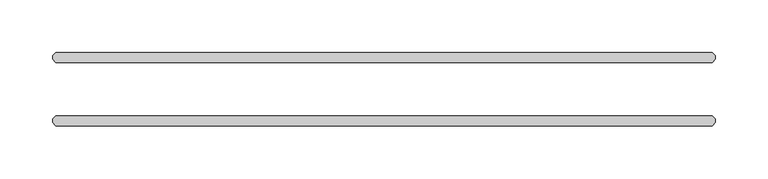
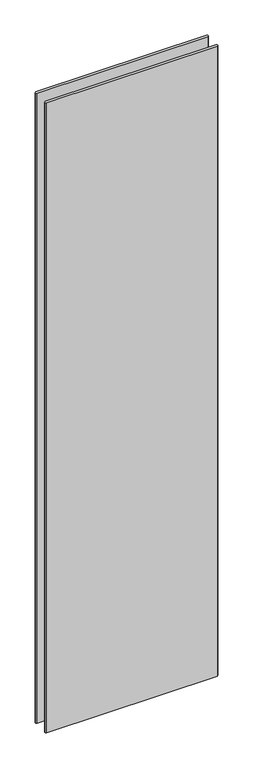
"""IFC4 building model written with IfcOpenShell, lengths in millimetres: plate geometry."""

from ifc_helpers import new_model, si_unit, origin, origin_with_axes, place, context, project, spatial, polyline, outline, extrude, source, transform, mapped, element, save


def plate_bf327bf3(model_context):
    return source(origin(), model_context, "Body", "SweptSolid", [
        extrude(outline(polyline([(311.546875, -34.925), (-311.546875, -34.925), (-314.721875, -31.75), (-314.721875, -28.575), (-311.546875, -25.4), (311.546875, -25.4), (314.721875, -28.575), (314.721875, -31.75), (311.546875, -34.925)])), origin_with_axes(), (0.0, 0.0, 1.0), 2428.7789267),
        extrude(outline(polyline([(311.546875, 25.4), (-311.546875, 25.4), (-314.721875, 28.575), (-314.721875, 31.75), (-311.546875, 34.925), (311.546875, 34.925), (314.721875, 31.75), (314.721875, 28.575), (311.546875, 25.4)])), origin_with_axes(), (0.0, 0.0, 1.0), 2428.7789267),
    ])


if __name__ == "__main__":
    model = new_model("IFC4")
    model_context = context("Model", 3, world=origin())
    ifc_project = project(units=[si_unit("LENGTHUNIT", "METRE", prefix="MILLI")], contexts=[model_context])
    site = spatial("IfcSite", under=ifc_project)
    building = spatial("IfcBuilding", under=site)
    placement = place(None, origin())
    plate_shape = plate_bf327bf3(model_context)
    element("IfcPlate", 1, at=placement, inside=building, context=model_context, shape_type="MappedRepresentation", body=[
        mapped(plate_shape, transform((0.0, 0.0, 0.0), x_axis=(1.0, 0.0, 0.0), y_axis=(0.0, 1.0, 0.0), z_axis=(0.0, 0.0, 1.0))),
    ])
    save(model, "model.ifc")
